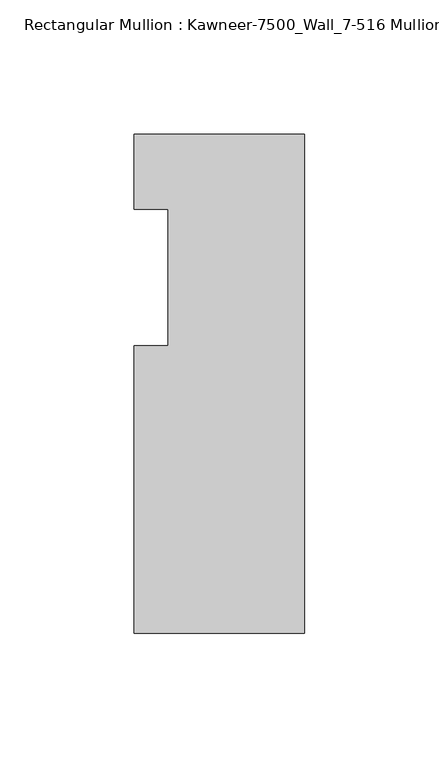
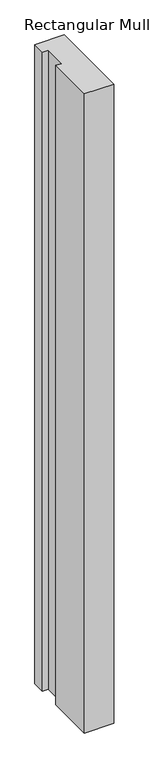
"""IFC4 building model written with IfcOpenShell, lengths in millimetres: member geometry, Rectangular Mullion : Kawneer-7500_Wall_7-516 Mullion_Jamb L."""

from ifc_helpers import new_model, si_unit, frame, origin, place, context, project, spatial, polyline, outline, extrude, source, transform, mapped, element, save


def rectangular_mullion_kawneer_7500_wall_7_516_mullion_jamb_l_d505fd0e(model_context):
    return source(origin(), model_context, "Body", "SweptSolid", [
        extrude(outline(polyline([(-63.5, -134.9375), (-63.5, -27.9796875), (-50.7982296, -27.9796875), (-50.7982296, 22.8203125), (-63.5, 22.8203125), (-63.5, 50.8), (0.0, 50.8), (0.0, -134.9375), (-63.5, -134.9375)])), frame((0.0, 0.0, -1463.04), z_axis=(0.0, 0.0, 1.0), x_axis=(1.0, 0.0, 0.0)), (0.0, 0.0, 1.0), 1463.04),
    ])


if __name__ == "__main__":
    model = new_model("IFC4")
    model_context = context("Model", 3, world=origin())
    ifc_project = project(units=[si_unit("LENGTHUNIT", "METRE", prefix="MILLI")], contexts=[model_context])
    site = spatial("IfcSite", under=ifc_project)
    building = spatial("IfcBuilding", under=site)
    placement = place(None, origin())
    rectangular_mullion_kawneer_7500_wall_7_516_mullion_jamb_l_shape = rectangular_mullion_kawneer_7500_wall_7_516_mullion_jamb_l_d505fd0e(model_context)
    element("IfcMember", 1, ObjectType="Rectangular Mullion : Kawneer-7500_Wall_7-516 Mullion_Jamb L", at=placement, inside=building, context=model_context, shape_type="MappedRepresentation", body=[
        mapped(rectangular_mullion_kawneer_7500_wall_7_516_mullion_jamb_l_shape, transform((0.0, 0.0, 0.0), x_axis=(1.0, 0.0, 0.0), y_axis=(0.0, 1.0, 0.0), z_axis=(0.0, 0.0, 1.0))),
    ])
    save(model, "model.ifc")
